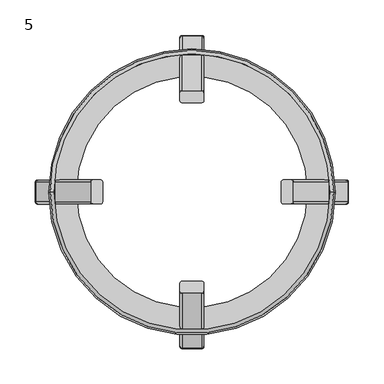
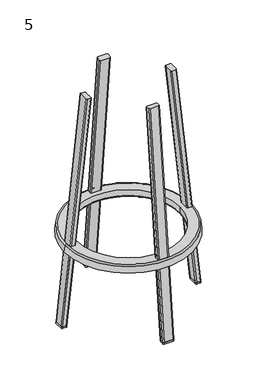
"""IFC4 building model written with IfcOpenShell, lengths in millimetres: furniture geometry, 5."""

from ifc_helpers import new_model, si_unit, point, frame, origin, place, context, project, spatial, polyline, circle_curve, ellipse_curve, trimmed, source, transform, mapped, element, save
from ifc_brep_helpers import plane_surface, cylinder_surface, revolved_surface, advanced_brep


def furniture_5_73dcc5fb(model_context):
    return source(origin(), model_context, "Body", "AdvancedBrep", [
        advanced_brep(
        [(17.0, -206.3178808, 5.0), (14.0, -203.301356, 5.0), (-14.0, -203.301356, 5.0), (-17.0, -206.3178808, 5.0), (-17.0, -217.3784719, 5.0), (-14.0, -220.3949967, 5.0), (14.0, -220.3949967, 5.0), (17.0, -217.3784719, 5.0), (-17.0, -217.9039931, 0.0), (-14.0, -220.9205179, 0.0), (-17.0, -206.843402, 0.0), (-14.0, -203.8268771, 0.0), (14.0, -203.8268771, 0.0), (17.0, -206.843402, 0.0), (17.0, -217.9039931, 0.0), (14.0, -220.9205179, 0.0)],
        [
            (0, 1, ellipse_curve(frame((14.0, -206.3178808, 5.0), z_axis=(0.0, 0.0, 1.0), x_axis=(0.0, -1.0, 0.0)), 3.0165248, 3.0)),
            (1, 2),
            (2, 3, ellipse_curve(frame((-14.1882885, -206.1285552, 5.0), z_axis=(0.0, 0.0, 1.0), x_axis=(0.0, -1.0, 0.0)), 2.8335313, 2.8180089)),
            (3, 4),
            (4, 5, ellipse_curve(frame((-14.0, -217.3784719, 5.0), z_axis=(0.0, 0.0, 1.0), x_axis=(0.0, -1.0, 0.0)), 3.0165248, 3.0)),
            (5, 6),
            (6, 7, ellipse_curve(frame((14.0, -217.3784719, 5.0), z_axis=(0.0, 0.0, 1.0), x_axis=(0.0, -1.0, 0.0)), 3.0165248, 3.0)),
            (7, 0),
            (4, 8),
            (8, 9, ellipse_curve(frame((-14.0, -217.9039931, 0.0), z_axis=(0.0, 0.0, 1.0), x_axis=(0.0, -1.0, 0.0)), 3.0165248, 3.0)),
            (9, 5),
            (3, 10),
            (10, 8),
            (2, 11),
            (11, 10, ellipse_curve(frame((-14.1882885, -206.6540763, 0.0), z_axis=(0.0, 0.0, 1.0), x_axis=(0.0, -1.0, 0.0)), 2.8335313, 2.8180089)),
            (1, 12),
            (12, 11),
            (12, 13, ellipse_curve(frame((14.0, -206.843402, 0.0), z_axis=(0.0, 0.0, -1.0), x_axis=(0.0, -1.0, 0.0)), 3.0165248, 3.0)),
            (13, 14),
            (14, 15, ellipse_curve(frame((14.0, -217.9039931, 0.0), z_axis=(0.0, 0.0, -1.0), x_axis=(0.0, -1.0, 0.0)), 3.0165248, 3.0)),
            (15, 9),
            (0, 13),
            (7, 14),
            (6, 15),
        ],
        [
            plane_surface(frame((-237.3802631, -240.5411086, 5.0), z_axis=(0.0, 0.0, 1.0), x_axis=(0.0, 1.0, 0.0))),
            cylinder_surface(frame((-14.0, -217.9369522, -0.3135854), z_axis=(0.0, -0.10452846326766246, -0.9945218953682724), x_axis=(0.0, -0.9945218953682725, 0.10452846326766249)), 3.0),
            plane_surface(frame((-17.0, -217.9369522, -0.3135854), z_axis=(-1.0, 0.0, 0.0), x_axis=(0.0, 0.9945218953682724, -0.10452846326766255))),
            cylinder_surface(frame((-14.1882885, -206.8099543, -1.48308), z_axis=(0.0, -0.10452846326766246, -0.9945218953682724), x_axis=(-0.9977653042872745, -0.06645012160662113, 0.006984189214775724)), 2.8180089),
            plane_surface(frame((-14.0, -204.0136457, -1.7769839), z_axis=(0.0, 0.9945218953682724, -0.10452846326766246), x_axis=(1.0, 0.0, 0.0))),
            plane_surface(frame((18.6818902, -196.7185949, 0.0), z_axis=(0.0, 0.0, -1.0), x_axis=(0.0, -1.0, 0.0))),
            cylinder_surface(frame((14.0, -206.9972114, -1.4633985), z_axis=(0.0, -0.10452846326766246, -0.9945218953682724), x_axis=(0.0, 0.9945218953682724, -0.10452846326766246)), 3.0),
            plane_surface(frame((17.0, -206.9972114, -1.4633985), z_axis=(1.0, 0.0, 0.0), x_axis=(0.0, -0.9945218953682724, 0.10452846326766246))),
            cylinder_surface(frame((14.0, -217.9369522, -0.3135854), z_axis=(0.0, -0.10452846326766246, -0.9945218953682724), x_axis=(1.0, 0.0, 0.0)), 3.0),
            plane_surface(frame((14.0, -220.9205179, 0.0), z_axis=(0.0, -0.9945218953682724, 0.10452846326766246), x_axis=(-1.0, 0.0, 0.0))),
        ],
        [
            (0, [[1, 2, 3, 4, 5, 6, 7, 8]]),
            (1, [[-5, 9, 10, 11]]),
            (2, [[-4, 12, 13, -9]]),
            (3, [[-3, 14, 15, -12]]),
            (4, [[-2, 16, 17, -14]]),
            (5, [[-10, -13, -15, -17, 18, 19, 20, 21]]),
            (6, [[-1, 22, -18, -16]]),
            (7, [[-8, 23, -19, -22]]),
            (8, [[-7, 24, -20, -23]]),
            (9, [[-6, -11, -21, -24]]),
        ],
    ),
        advanced_brep(
        [(-17.0, 217.9039931, 0.0), (-14.0, 220.9205179, 0.0), (14.0, 220.9205179, 0.0), (17.0, 217.9039931, 0.0), (17.0, 206.843402, 0.0), (14.0, 203.8268771, 0.0), (-14.0, 203.8268771, 0.0), (-17.0, 206.843402, 0.0), (-14.0, 203.301356, 5.0), (-17.0, 206.3178808, 5.0), (14.0, 203.301356, 5.0), (17.0, 206.3178808, 5.0), (17.0, 217.3784719, 5.0), (14.0, 220.3949967, 5.0), (-14.0, 220.3949967, 5.0), (-17.0, 217.3784719, 5.0)],
        [
            (0, 1, ellipse_curve(frame((-14.0, 217.9039931, 0.0), z_axis=(0.0, 0.0, -1.0), x_axis=(0.0, -1.0, 0.0)), 3.0165248, 3.0)),
            (1, 2),
            (2, 3, ellipse_curve(frame((14.0, 217.9039931, 0.0), z_axis=(0.0, 0.0, -1.0), x_axis=(0.0, -1.0, 0.0)), 3.0165248, 3.0)),
            (3, 4),
            (4, 5, ellipse_curve(frame((14.0, 206.843402, 0.0), z_axis=(0.0, 0.0, -1.0), x_axis=(0.0, -1.0, 0.0)), 3.0165248, 3.0)),
            (5, 6),
            (6, 7, ellipse_curve(frame((-14.1882885, 206.6540763, 0.0), z_axis=(0.0, 0.0, -1.0), x_axis=(0.0, -1.0, 0.0)), 2.8335313, 2.8180089)),
            (7, 0),
            (8, 9, ellipse_curve(frame((-14.1882885, 206.1285552, 5.0), z_axis=(0.0, 0.0, -1.0), x_axis=(0.0, -1.0, 0.0)), 2.8335313, 2.8180089)),
            (9, 7),
            (6, 8),
            (10, 8),
            (5, 10),
            (11, 10, ellipse_curve(frame((14.0, 206.3178808, 5.0), z_axis=(0.0, 0.0, -1.0), x_axis=(0.0, -1.0, 0.0)), 3.0165248, 3.0)),
            (4, 11),
            (12, 11),
            (3, 12),
            (13, 12, ellipse_curve(frame((14.0, 217.3784719, 5.0), z_axis=(0.0, 0.0, -1.0), x_axis=(0.0, -1.0, 0.0)), 3.0165248, 3.0)),
            (2, 13),
            (14, 13),
            (1, 14),
            (15, 14, ellipse_curve(frame((-14.0, 217.3784719, 5.0), z_axis=(0.0, 0.0, -1.0), x_axis=(0.0, -1.0, 0.0)), 3.0165248, 3.0)),
            (0, 15),
            (9, 15),
        ],
        [
            plane_surface(frame((18.6818902, 196.7185949, 0.0), z_axis=(0.0, 0.0, -1.0), x_axis=(0.0, 1.0, 0.0))),
            cylinder_surface(frame((-14.1882885, 206.8099543, -1.48308), z_axis=(0.0, -0.10452846326766246, 0.9945218953682724), x_axis=(-0.9977653042872745, 0.06645012160662113, 0.006984189214775724)), 2.8180089),
            plane_surface(frame((-14.0, 204.0136457, -1.7769839), z_axis=(0.0, -0.9945218953682724, -0.10452846326766246), x_axis=(1.0, 0.0, 0.0))),
            cylinder_surface(frame((14.0, 206.9972114, -1.4633985), z_axis=(0.0, -0.10452846326766246, 0.9945218953682724), x_axis=(0.0, -0.9945218953682724, -0.10452846326766246)), 3.0),
            plane_surface(frame((17.0, 206.9972114, -1.4633985), z_axis=(1.0, 0.0, 0.0), x_axis=(0.0, 0.9945218953682724, 0.10452846326766246))),
            cylinder_surface(frame((14.0, 217.9369522, -0.3135854), z_axis=(0.0, -0.10452846326766246, 0.9945218953682724), x_axis=(1.0, 0.0, 0.0)), 3.0),
            plane_surface(frame((14.0, 220.9205179, 0.0), z_axis=(0.0, 0.9945218953682724, 0.10452846326766246), x_axis=(-1.0, 0.0, 0.0))),
            cylinder_surface(frame((-14.0, 217.9369522, -0.3135854), z_axis=(0.0, -0.10452846326766246, 0.9945218953682724), x_axis=(0.0, 0.9945218953682725, 0.10452846326766249)), 3.0),
            plane_surface(frame((-17.0, 217.9369522, -0.3135854), z_axis=(-1.0, 0.0, 0.0), x_axis=(0.0, -0.9945218953682724, -0.10452846326766255))),
            plane_surface(frame((-237.3802631, -240.5411086, 5.0), z_axis=(0.0, 0.0, 1.0), x_axis=(0.0, 1.0, 0.0))),
        ],
        [
            (0, [[1, 2, 3, 4, 5, 6, 7, 8]]),
            (1, [[9, 10, -7, 11]]),
            (2, [[12, -11, -6, 13]]),
            (3, [[14, -13, -5, 15]]),
            (4, [[16, -15, -4, 17]]),
            (5, [[18, -17, -3, 19]]),
            (6, [[20, -19, -2, 21]]),
            (7, [[22, -21, -1, 23]]),
            (8, [[24, -23, -8, -10]]),
            (9, [[-16, -18, -20, -22, -24, -9, -12, -14]]),
        ],
    ),
        advanced_brep(
        [(220.3949967, 14.0, 5.0), (217.3784719, 17.0, 5.0), (206.3178808, 17.0, 5.0), (203.301356, 14.0, 5.0), (203.301356, -14.0, 5.0), (206.3178808, -17.0, 5.0), (217.3784719, -17.0, 5.0), (220.3949967, -14.0, 5.0), (203.8268771, -14.0, 0.0), (206.843402, -17.0, 0.0), (203.8268771, 14.0, 0.0), (206.843402, 17.0, 0.0), (217.9039931, 17.0, 0.0), (220.9205179, 14.0, 0.0), (220.9205179, -14.0, 0.0), (217.9039931, -17.0, 0.0)],
        [
            (0, 1, ellipse_curve(frame((217.3784719, 14.0, 5.0), z_axis=(0.0, 0.0, 1.0), x_axis=(-1.0, 0.0, 0.0)), 3.0165248, 3.0)),
            (1, 2),
            (2, 3, ellipse_curve(frame((206.1285552, 14.1882885, 5.0), z_axis=(0.0, 0.0, 1.0), x_axis=(-1.0, 0.0, 0.0)), 2.8335313, 2.8180089)),
            (3, 4),
            (4, 5, ellipse_curve(frame((206.3178808, -14.0, 5.0), z_axis=(0.0, 0.0, 1.0), x_axis=(-1.0, 0.0, 0.0)), 3.0165248, 3.0)),
            (5, 6),
            (6, 7, ellipse_curve(frame((217.3784719, -14.0, 5.0), z_axis=(0.0, 0.0, 1.0), x_axis=(-1.0, 0.0, 0.0)), 3.0165248, 3.0)),
            (7, 0),
            (4, 8),
            (8, 9, ellipse_curve(frame((206.843402, -14.0, 0.0), z_axis=(0.0, 0.0, 1.0), x_axis=(-1.0, 0.0, 0.0)), 3.0165248, 3.0)),
            (9, 5),
            (3, 10),
            (10, 8),
            (2, 11),
            (11, 10, ellipse_curve(frame((206.6540763, 14.1882885, 0.0), z_axis=(0.0, 0.0, 1.0), x_axis=(-1.0, 0.0, 0.0)), 2.8335313, 2.8180089)),
            (1, 12),
            (12, 11),
            (12, 13, ellipse_curve(frame((217.9039931, 14.0, 0.0), z_axis=(0.0, 0.0, -1.0), x_axis=(-1.0, 0.0, 0.0)), 3.0165248, 3.0)),
            (13, 14),
            (14, 15, ellipse_curve(frame((217.9039931, -14.0, 0.0), z_axis=(0.0, 0.0, -1.0), x_axis=(-1.0, 0.0, 0.0)), 3.0165248, 3.0)),
            (15, 9),
            (0, 13),
            (7, 14),
            (6, 15),
        ],
        [
            plane_surface(frame((-237.3802631, -240.5411086, 5.0), z_axis=(0.0, 0.0, 1.0), x_axis=(0.0, 1.0, 0.0))),
            cylinder_surface(frame((206.9972114, -14.0, -1.4633985), z_axis=(-0.10452846326766246, 0.0, 0.9945218953682724), x_axis=(-0.9945218953682724, 0.0, -0.10452846326766246)), 3.0),
            plane_surface(frame((204.0136457, 14.0, -1.7769839), z_axis=(-0.9945218953682724, 0.0, -0.10452846326766246), x_axis=(0.0, -1.0, 0.0))),
            cylinder_surface(frame((206.8099543, 14.1882885, -1.48308), z_axis=(-0.10452846326766246, 0.0, 0.9945218953682724), x_axis=(0.06645012160662157, 0.9977653042872745, 0.006984189214775724)), 2.8180089),
            plane_surface(frame((217.9369522, 17.0, -0.3135854), z_axis=(0.0, 1.0, 0.0), x_axis=(-0.9945218953682724, 0.0, -0.10452846326766255))),
            plane_surface(frame((196.7185949, -18.6818902, 0.0), z_axis=(0.0, 0.0, -1.0), x_axis=(1.0, 0.0, 0.0))),
            cylinder_surface(frame((217.9369522, 14.0, -0.3135854), z_axis=(-0.10452846326766246, 0.0, 0.9945218953682724), x_axis=(0.9945218953682725, 0.0, 0.10452846326766249)), 3.0),
            plane_surface(frame((220.9205179, -14.0, 0.0), z_axis=(0.9945218953682724, 0.0, 0.10452846326766246), x_axis=(0.0, 1.0, 0.0))),
            cylinder_surface(frame((217.9369522, -14.0, -0.3135854), z_axis=(-0.10452846326766246, 0.0, 0.9945218953682724), x_axis=(0.0, -1.0, 0.0)), 3.0),
            plane_surface(frame((206.9972114, -17.0, -1.4633985), z_axis=(0.0, -1.0, 0.0), x_axis=(0.9945218953682724, 0.0, 0.10452846326766246))),
        ],
        [
            (0, [[1, 2, 3, 4, 5, 6, 7, 8]]),
            (1, [[-5, 9, 10, 11]]),
            (2, [[-4, 12, 13, -9]]),
            (3, [[-3, 14, 15, -12]]),
            (4, [[-2, 16, 17, -14]]),
            (5, [[18, 19, 20, 21, -10, -13, -15, -17]]),
            (6, [[-1, 22, -18, -16]]),
            (7, [[-8, 23, -19, -22]]),
            (8, [[-7, 24, -20, -23]]),
            (9, [[-6, -11, -21, -24]]),
        ],
    ),
        advanced_brep(
        [(-220.3949967, -14.0, 5.0), (-220.3949967, 14.0, 5.0), (-220.9205179, 14.0, 0.0), (-220.9205179, -14.0, 0.0), (-217.3784719, -17.0, 5.0), (-217.9039931, -17.0, 0.0), (-206.3178808, -17.0, 5.0), (-206.843402, -17.0, 0.0), (-203.301356, -14.0, 5.0), (-203.8268771, -14.0, 0.0), (-217.9039931, 17.0, 0.0), (-206.843402, 17.0, 0.0), (-203.8268771, 14.0, 0.0), (-203.301356, 14.0, 5.0), (-206.3178808, 17.0, 5.0), (-217.3784719, 17.0, 5.0)],
        [
            (0, 1),
            (1, 2),
            (2, 3),
            (3, 0),
            (4, 0, ellipse_curve(frame((-217.3784719, -14.0, 5.0), z_axis=(0.0, 0.0, -1.0), x_axis=(-1.0, 0.0, 0.0)), 3.0165248, 3.0)),
            (3, 5, ellipse_curve(frame((-217.9039931, -14.0, 0.0), z_axis=(0.0, 0.0, 1.0), x_axis=(-1.0, 0.0, 0.0)), 3.0165248, 3.0)),
            (5, 4),
            (6, 4),
            (5, 7),
            (7, 6),
            (8, 6, ellipse_curve(frame((-206.3178808, -14.0, 5.0), z_axis=(0.0, 0.0, -1.0), x_axis=(-1.0, 0.0, 0.0)), 3.0165248, 3.0)),
            (7, 9, ellipse_curve(frame((-206.843402, -14.0, 0.0), z_axis=(0.0, 0.0, 1.0), x_axis=(-1.0, 0.0, 0.0)), 3.0165248, 3.0)),
            (9, 8),
            (2, 10, ellipse_curve(frame((-217.9039931, 14.0, 0.0), z_axis=(0.0, 0.0, -1.0), x_axis=(-1.0, 0.0, 0.0)), 3.0165248, 3.0)),
            (10, 11),
            (11, 12, ellipse_curve(frame((-206.6540763, 14.1882885, 0.0), z_axis=(0.0, 0.0, -1.0), x_axis=(-1.0, 0.0, 0.0)), 2.8335313, 2.8180089)),
            (12, 9),
            (13, 8),
            (12, 13),
            (14, 13, ellipse_curve(frame((-206.1285552, 14.1882885, 5.0), z_axis=(0.0, 0.0, -1.0), x_axis=(-1.0, 0.0, 0.0)), 2.8335313, 2.8180089)),
            (11, 14),
            (15, 14),
            (10, 15),
            (1, 15, ellipse_curve(frame((-217.3784719, 14.0, 5.0), z_axis=(0.0, 0.0, -1.0), x_axis=(-1.0, 0.0, 0.0)), 3.0165248, 3.0)),
        ],
        [
            plane_surface(frame((-220.9205179, -14.0, 0.0), z_axis=(-0.9945218953682724, 0.0, 0.10452846326766246), x_axis=(0.0, 1.0, 0.0))),
            cylinder_surface(frame((-217.9369522, -14.0, -0.3135854), z_axis=(-0.10452846326766246, 0.0, -0.9945218953682724), x_axis=(0.0, -1.0, 0.0)), 3.0),
            plane_surface(frame((-206.9972114, -17.0, -1.4633985), z_axis=(0.0, -1.0, 0.0), x_axis=(-0.9945218953682724, 0.0, 0.10452846326766246))),
            cylinder_surface(frame((-206.9972114, -14.0, -1.4633985), z_axis=(-0.10452846326766246, 0.0, -0.9945218953682724), x_axis=(0.9945218953682724, 0.0, -0.10452846326766246)), 3.0),
            plane_surface(frame((-196.7185949, -18.6818902, 0.0), z_axis=(0.0, 0.0, -1.0), x_axis=(-1.0, 0.0, 0.0))),
            plane_surface(frame((-204.0136457, 14.0, -1.7769839), z_axis=(0.9945218953682724, 0.0, -0.10452846326766246), x_axis=(0.0, -1.0, 0.0))),
            cylinder_surface(frame((-206.8099543, 14.1882885, -1.48308), z_axis=(-0.10452846326766246, 0.0, -0.9945218953682724), x_axis=(-0.06645012160662069, 0.9977653042872746, 0.006984189214775725)), 2.8180089),
            plane_surface(frame((-217.9369522, 17.0, -0.3135854), z_axis=(0.0, 1.0, 0.0), x_axis=(0.9945218953682724, 0.0, -0.10452846326766255))),
            cylinder_surface(frame((-217.9369522, 14.0, -0.3135854), z_axis=(-0.10452846326766246, 0.0, -0.9945218953682724), x_axis=(-0.9945218953682725, 0.0, 0.10452846326766249)), 3.0),
            plane_surface(frame((-237.3802631, -240.5411086, 5.0), z_axis=(0.0, 0.0, 1.0), x_axis=(0.0, 1.0, 0.0))),
        ],
        [
            (0, [[1, 2, 3, 4]]),
            (1, [[5, -4, 6, 7]]),
            (2, [[8, -7, 9, 10]]),
            (3, [[11, -10, 12, 13]]),
            (4, [[14, 15, 16, 17, -12, -9, -6, -3]]),
            (5, [[18, -13, -17, 19]]),
            (6, [[20, -19, -16, 21]]),
            (7, [[22, -21, -15, 23]]),
            (8, [[24, -23, -14, -2]]),
            (9, [[-11, -18, -20, -22, -24, -1, -5, -8]]),
        ],
    ),
        advanced_brep(
        [(202.077074, 0.0, 239.5), (199.9726095, 0.0, 259.5226423), (-199.9726095, 0.0, 259.5226423), (-202.077074, 0.0, 239.5), (163.0007615, 0.0, 244.412738), (168.0, 0.0, 239.5), (-168.0, 0.0, 239.5), (-163.0007615, 0.0, 244.412738), (162.7461399, 0.0, 264.0), (-162.7461399, 0.0, 264.0), (195.0, 0.0, 264.0), (-195.0, 0.0, 264.0)],
        [
            (0, 1),
            (1, 2, circle_curve(frame((0.0, 0.0, 259.5226423), z_axis=(0.0, 0.0, -1.0), x_axis=(1.0, 0.0, 0.0)), 199.9726095)),
            (2, 3),
            (3, 0, circle_curve(frame((0.0, 0.0, 239.5), z_axis=(0.0, 0.0, 1.0), x_axis=(1.0, 0.0, 0.0)), 202.077074)),
            (4, 5, circle_curve(frame((167.977827, 0.0, 244.4774366), z_axis=(0.0, -1.0, 0.0), x_axis=(1.0, 0.0, 0.0)), 4.977486)),
            (5, 6, circle_curve(frame((0.0, 0.0, 239.5), z_axis=(0.0, 0.0, -1.0), x_axis=(1.0, 0.0, 0.0)), 168.0)),
            (6, 7, circle_curve(frame((-167.977827, 0.0, 244.4774366), z_axis=(0.0, -1.0, 0.0), x_axis=(-1.0, 0.0, 0.0)), 4.977486)),
            (7, 4, circle_curve(frame((0.0, 0.0, 244.412738), z_axis=(0.0, 0.0, 1.0), x_axis=(1.0, 0.0, 0.0)), 163.0007615)),
            (4, 8),
            (8, 9, circle_curve(frame((0.0, 0.0, 264.0), z_axis=(0.0, 0.0, 1.0), x_axis=(1.0, 0.0, 0.0)), 162.7461399)),
            (9, 7),
            (7, 4, circle_curve(frame((0.0, 0.0, 244.412738), z_axis=(0.0, 0.0, -1.0), x_axis=(1.0, 0.0, 0.0)), 163.0007615)),
            (1, 10, circle_curve(frame((195.0, 0.0, 259.0), z_axis=(0.0, -0.9999999999999999, 0.0), x_axis=(0.9999999999999999, 0.0, 0.0)), 5.0)),
            (10, 11, circle_curve(frame((0.0, 0.0, 264.0), z_axis=(0.0, 0.0, -1.0), x_axis=(0.9999999999999999, 0.0, 0.0)), 195.0)),
            (11, 2, circle_curve(frame((-195.0, 0.0, 259.0), z_axis=(0.0, -0.9999999999999999, 0.0), x_axis=(-0.9999999999999999, 0.0, 0.0)), 5.0)),
            (1, 2, circle_curve(frame((0.0, 0.0, 259.5226423), z_axis=(0.0, 0.0, 1.0), x_axis=(0.9999999999999999, 0.0, 0.0)), 199.9726095)),
            (11, 10, circle_curve(frame((0.0, 0.0, 264.0), z_axis=(0.0, 0.0, -1.0), x_axis=(0.9999999999999999, 0.0, 0.0)), 195.0)),
            (8, 9, circle_curve(frame((0.0, 0.0, 264.0), z_axis=(0.0, 0.0, -1.0), x_axis=(1.0, 0.0, 0.0)), 162.7461399)),
            (6, 5, circle_curve(frame((0.0, 0.0, 239.5), z_axis=(0.0, 0.0, -1.0), x_axis=(1.0, 0.0, 0.0)), 168.0)),
            (3, 0, circle_curve(frame((0.0, 0.0, 239.5), z_axis=(0.0, 0.0, -1.0), x_axis=(1.0, 0.0, 0.0)), 202.077074)),
        ],
        [
            revolved_surface(polyline([(199.9726094928645, 0.0, 259.5226422999999), (202.077074, 0.0, 239.5)]), (0.0, 0.0, 2162.1349297), (0.0, 0.0, -1.0)),
            revolved_surface(trimmed(ellipse_curve(frame((167.977827, 0.0, 244.4774366), z_axis=(0.0, -1.0, 0.0), x_axis=(1.0, 0.0, 0.0)), 4.977486, 4.977486), [point((163.0007615, 0.0, 244.412738))], [point((168.0, 0.0, 239.5))], True, "CARTESIAN"), (0.0, 0.0, 244.4774366), (0.0, 0.0, 1.0)),
            revolved_surface(polyline([(163.0007615, 0.0, 244.41273799999908), (162.7461398945695, 0.0, 264.0)]), (0.0, 0.0, 12783.5632013), (0.0, 0.0, -1.0)),
            revolved_surface(trimmed(ellipse_curve(frame((195.0, 0.0, 259.0), z_axis=(0.0, -0.9999999999999999, 0.0), x_axis=(0.9999999999999999, 0.0, 0.0)), 5.0, 5.0), [point((199.9726095, 0.0, 259.5226423))], [point((195.0, 0.0, 264.0))], True, "CARTESIAN"), (0.0, 0.0, 259.0), (0.0, 0.0, 1.0)),
            plane_surface(frame((162.7461399, 0.0, 264.0), z_axis=(0.0, 0.0, 1.0), x_axis=(1.0, 0.0, 0.0))),
            plane_surface(frame((202.077074, 0.0, 239.5), z_axis=(0.0, 0.0, -1.0), x_axis=(-1.0, 0.0, 0.0))),
        ],
        [
            (0, [[1, 2, 3, 4]]),
            (1, [[5, 6, 7, 8]]),
            (2, [[9, 10, 11, 12]]),
            (3, [[13, 14, 15, -2]]),
            (3, [[-13, 16, -15, 17]]),
            (4, [[-17, -14], [-10, 18]]),
            (2, [[-9, -8, -11, -18]]),
            (1, [[-5, -12, -7, 19]]),
            (5, [[20, -4], [-19, -6]]),
            (0, [[-1, -20, -3, -16]]),
        ],
    ),
        advanced_brep(
        [(-17.0, 190.1564749, 264.0), (-14.0, 193.1729998, 264.0), (14.0, 193.1729998, 264.0), (17.0, 190.1564749, 264.0), (17.0, 179.0958839, 264.0), (14.0, 176.079359, 264.0), (-14.0, 176.079359, 264.0), (-17.0, 179.0958839, 264.0), (17.0, 140.1339623, 739.9324165), (17.0, 129.1942214, 738.7826034), (14.0, 126.2106557, 738.469018), (14.0, 143.117528, 740.2460019), (-14.0, 143.117528, 740.2460019), (-17.0, 140.1339623, 739.9324165), (-14.0, 126.2106557, 738.469018), (-17.0, 129.1942214, 738.7826034)],
        [
            (0, 1, ellipse_curve(frame((-14.0, 190.1564749, 264.0), z_axis=(0.0, 0.0, -1.0), x_axis=(0.0, -1.0, 0.0)), 3.0165248, 3.0)),
            (1, 2),
            (2, 3, ellipse_curve(frame((14.0, 190.1564749, 264.0), z_axis=(0.0, 0.0, -1.0), x_axis=(0.0, -1.0, 0.0)), 3.0165248, 3.0)),
            (3, 4),
            (4, 5, ellipse_curve(frame((14.0, 179.0958839, 264.0), z_axis=(0.0, 0.0, -1.0), x_axis=(0.0, -1.0, 0.0)), 3.0165248, 3.0)),
            (5, 6),
            (6, 7, ellipse_curve(frame((-14.1882885, 178.9065582, 264.0), z_axis=(0.0, 0.0, -1.0), x_axis=(0.0, -1.0, 0.0)), 2.8335313, 2.8180089)),
            (7, 0),
            (3, 8),
            (8, 9),
            (9, 4),
            (9, 10, circle_curve(frame((14.0, 129.1942214, 738.7826034), z_axis=(0.0, 0.10452846326766246, -0.9945218953682724), x_axis=(0.0, -0.9945218953682724, -0.10452846326766246)), 3.0)),
            (10, 5),
            (2, 11),
            (11, 8, circle_curve(frame((14.0, 140.1339623, 739.9324165), z_axis=(0.0, 0.10452846326766246, -0.9945218953682724), x_axis=(1.0, 0.0, 0.0)), 3.0)),
            (1, 12),
            (12, 11),
            (0, 13),
            (13, 12, circle_curve(frame((-14.0, 140.1339623, 739.9324165), z_axis=(0.0, 0.10452846326766246, -0.9945218953682724), x_axis=(0.0, 0.9945218953682725, 0.10452846326766249)), 3.0)),
            (10, 14),
            (14, 6),
            (14, 15, circle_curve(frame((-14.1882885, 129.0069644, 738.7629219), z_axis=(0.0, 0.10452846326766246, -0.9945218953682724), x_axis=(-0.9977653042872745, 0.06645012160662113, 0.006984189214775724)), 2.8180089)),
            (15, 7),
            (15, 13),
        ],
        [
            plane_surface(frame((162.7461399, 0.0, 264.0), z_axis=(0.0, 0.0, -1.0), x_axis=(1.0, 0.0, 0.0))),
            plane_surface(frame((17.0, 206.9972114, -1.4633985), z_axis=(1.0, 0.0, 0.0), x_axis=(0.0, 0.9945218953682724, 0.10452846326766246))),
            cylinder_surface(frame((14.0, 206.9972114, -1.4633985), z_axis=(0.0, -0.10452846326766246, 0.9945218953682724), x_axis=(0.0, -0.9945218953682724, -0.10452846326766246)), 3.0),
            cylinder_surface(frame((14.0, 217.9369522, -0.3135854), z_axis=(0.0, -0.10452846326766246, 0.9945218953682724), x_axis=(1.0, 0.0, 0.0)), 3.0),
            plane_surface(frame((14.0, 220.9205179, 0.0), z_axis=(0.0, 0.9945218953682724, 0.10452846326766246), x_axis=(-1.0, 0.0, 0.0))),
            cylinder_surface(frame((-14.0, 217.9369522, -0.3135854), z_axis=(0.0, -0.10452846326766246, 0.9945218953682724), x_axis=(0.0, 0.9945218953682725, 0.10452846326766249)), 3.0),
            plane_surface(frame((-14.0, 204.0136457, -1.7769839), z_axis=(0.0, -0.9945218953682724, -0.10452846326766246), x_axis=(1.0, 0.0, 0.0))),
            cylinder_surface(frame((-14.1882885, 206.8099543, -1.48308), z_axis=(0.0, -0.10452846326766246, 0.9945218953682724), x_axis=(-0.9977653042872745, 0.06645012160662113, 0.006984189214775724)), 2.8180089),
            plane_surface(frame((-17.0, 217.9369522, -0.3135854), z_axis=(-1.0, 0.0, 0.0), x_axis=(0.0, -0.9945218953682724, -0.10452846326766255))),
            plane_surface(frame((-0.0132768, 134.657144, 739.3567797), z_axis=(0.0, -0.1045284632676626, 0.9945218953682724), x_axis=(1.0, 0.0, 0.0))),
        ],
        [
            (0, [[1, 2, 3, 4, 5, 6, 7, 8]]),
            (1, [[-4, 9, 10, 11]]),
            (2, [[-5, -11, 12, 13]]),
            (3, [[-3, 14, 15, -9]]),
            (4, [[-2, 16, 17, -14]]),
            (5, [[-1, 18, 19, -16]]),
            (6, [[-6, -13, 20, 21]]),
            (7, [[-7, -21, 22, 23]]),
            (8, [[-8, -23, 24, -18]]),
            (9, [[-24, -22, -20, -12, -10, -15, -17, -19]]),
        ],
    ),
        advanced_brep(
        [(14.0, -203.301356, 5.0), (17.0, -206.3178808, 5.0), (17.0, -217.3784719, 5.0), (14.0, -220.3949967, 5.0), (-14.0, -220.3949967, 5.0), (-17.0, -217.3784719, 5.0), (-17.0, -206.3178808, 5.0), (-14.0, -203.301356, 5.0), (-14.0, -195.7480535, 239.5), (-17.0, -192.7315287, 239.5), (14.0, -195.7480535, 239.5), (17.0, -192.7315287, 239.5), (17.0, -181.6709376, 239.5), (14.0, -178.6544128, 239.5), (-14.0, -178.6544128, 239.5), (-17.0, -181.6709376, 239.5)],
        [
            (0, 1, ellipse_curve(frame((14.0, -206.3178808, 5.0), z_axis=(0.0, 0.0, -1.0), x_axis=(0.0, -1.0, 0.0)), 3.0165248, 3.0)),
            (1, 2),
            (2, 3, ellipse_curve(frame((14.0, -217.3784719, 5.0), z_axis=(0.0, 0.0, -1.0), x_axis=(0.0, -1.0, 0.0)), 3.0165248, 3.0)),
            (3, 4),
            (4, 5, ellipse_curve(frame((-14.0, -217.3784719, 5.0), z_axis=(0.0, 0.0, -1.0), x_axis=(0.0, -1.0, 0.0)), 3.0165248, 3.0)),
            (5, 6),
            (6, 7, ellipse_curve(frame((-14.1882885, -206.1285552, 5.0), z_axis=(0.0, 0.0, -1.0), x_axis=(0.0, -1.0, 0.0)), 2.8335313, 2.8180089)),
            (7, 0),
            (4, 8),
            (8, 9, ellipse_curve(frame((-14.0, -192.7315287, 239.5), z_axis=(0.0, 0.0, -1.0), x_axis=(0.0, -1.0, 0.0)), 3.0165248, 3.0)),
            (9, 5),
            (3, 10),
            (10, 8),
            (2, 11),
            (11, 10, ellipse_curve(frame((14.0, -192.7315287, 239.5), z_axis=(0.0, 0.0, -1.0), x_axis=(0.0, -1.0, 0.0)), 3.0165248, 3.0)),
            (1, 12),
            (12, 11),
            (0, 13),
            (13, 12, ellipse_curve(frame((14.0, -181.6709376, 239.5), z_axis=(0.0, 0.0, -1.0), x_axis=(0.0, -1.0, 0.0)), 3.0165248, 3.0)),
            (7, 14),
            (14, 13),
            (6, 15),
            (15, 14, ellipse_curve(frame((-14.1882885, -181.481612, 239.5), z_axis=(0.0, 0.0, -1.0), x_axis=(0.0, -1.0, 0.0)), 2.8335313, 2.8180089)),
            (9, 15),
        ],
        [
            plane_surface(frame((-237.3802631, 229.2159967, 5.0), z_axis=(0.0, 0.0, -1.0), x_axis=(0.0, -1.0, 0.0))),
            cylinder_surface(frame((-14.0, -217.9369522, -0.3135854), z_axis=(0.0, -0.10452846326766246, -0.9945218953682724), x_axis=(0.0, -0.9945218953682725, 0.10452846326766249)), 3.0),
            plane_surface(frame((14.0, -220.9205179, 0.0), z_axis=(0.0, -0.9945218953682724, 0.10452846326766246), x_axis=(-1.0, 0.0, 0.0))),
            cylinder_surface(frame((14.0, -217.9369522, -0.3135854), z_axis=(0.0, -0.10452846326766246, -0.9945218953682724), x_axis=(1.0, 0.0, 0.0)), 3.0),
            plane_surface(frame((17.0, -206.9972114, -1.4633985), z_axis=(1.0, 0.0, 0.0), x_axis=(0.0, -0.9945218953682724, 0.10452846326766246))),
            cylinder_surface(frame((14.0, -206.9972114, -1.4633985), z_axis=(0.0, -0.10452846326766246, -0.9945218953682724), x_axis=(0.0, 0.9945218953682724, -0.10452846326766246)), 3.0),
            plane_surface(frame((-14.0, -204.0136457, -1.7769839), z_axis=(0.0, 0.9945218953682724, -0.10452846326766246), x_axis=(1.0, 0.0, 0.0))),
            cylinder_surface(frame((-14.1882885, -206.8099543, -1.48308), z_axis=(0.0, -0.10452846326766246, -0.9945218953682724), x_axis=(-0.9977653042872745, -0.06645012160662113, 0.006984189214775724)), 2.8180089),
            plane_surface(frame((-17.0, -217.9369522, -0.3135854), z_axis=(-1.0, 0.0, 0.0), x_axis=(0.0, 0.9945218953682724, -0.10452846326766255))),
            plane_surface(frame((202.077074, 0.0, 239.5), z_axis=(0.0, 0.0, 1.0), x_axis=(-1.0, 0.0, 0.0))),
        ],
        [
            (0, [[1, 2, 3, 4, 5, 6, 7, 8]]),
            (1, [[-5, 9, 10, 11]]),
            (2, [[-4, 12, 13, -9]]),
            (3, [[-3, 14, 15, -12]]),
            (4, [[-2, 16, 17, -14]]),
            (5, [[-1, 18, 19, -16]]),
            (6, [[-8, 20, 21, -18]]),
            (7, [[-7, 22, 23, -20]]),
            (8, [[-6, -11, 24, -22]]),
            (9, [[-19, -21, -23, -24, -10, -13, -15, -17]]),
        ],
    ),
        advanced_brep(
        [(-14.0, 220.3949967, 5.0), (-17.0, 217.3784719, 5.0), (-17.0, 192.7315287, 239.5), (-14.0, 195.7480535, 239.5), (14.0, 220.3949967, 5.0), (14.0, 195.7480535, 239.5), (17.0, 217.3784719, 5.0), (17.0, 192.7315287, 239.5), (17.0, 206.3178808, 5.0), (17.0, 181.6709376, 239.5), (-17.0, 181.6709376, 239.5), (-14.0, 178.6544128, 239.5), (14.0, 178.6544128, 239.5), (14.0, 203.301356, 5.0), (-14.0, 203.301356, 5.0), (-17.0, 206.3178808, 5.0)],
        [
            (0, 1, ellipse_curve(frame((-14.0, 217.3784719, 5.0), z_axis=(0.0, 0.0, 1.0), x_axis=(0.0, -1.0, 0.0)), 3.0165248, 3.0)),
            (1, 2),
            (2, 3, ellipse_curve(frame((-14.0, 192.7315287, 239.5), z_axis=(0.0, 0.0, -1.0), x_axis=(0.0, -1.0, 0.0)), 3.0165248, 3.0)),
            (3, 0),
            (4, 0),
            (3, 5),
            (5, 4),
            (6, 4, ellipse_curve(frame((14.0, 217.3784719, 5.0), z_axis=(0.0, 0.0, 1.0), x_axis=(0.0, -1.0, 0.0)), 3.0165248, 3.0)),
            (5, 7, ellipse_curve(frame((14.0, 192.7315287, 239.5), z_axis=(0.0, 0.0, -1.0), x_axis=(0.0, -1.0, 0.0)), 3.0165248, 3.0)),
            (7, 6),
            (8, 6),
            (7, 9),
            (9, 8),
            (2, 10),
            (10, 11, ellipse_curve(frame((-14.1882885, 181.481612, 239.5), z_axis=(0.0, 0.0, 1.0), x_axis=(0.0, -1.0, 0.0)), 2.8335313, 2.8180089)),
            (11, 12),
            (12, 9, ellipse_curve(frame((14.0, 181.6709376, 239.5), z_axis=(0.0, 0.0, 1.0), x_axis=(0.0, -1.0, 0.0)), 3.0165248, 3.0)),
            (13, 8, ellipse_curve(frame((14.0, 206.3178808, 5.0), z_axis=(0.0, 0.0, 1.0), x_axis=(0.0, -1.0, 0.0)), 3.0165248, 3.0)),
            (12, 13),
            (14, 13),
            (11, 14),
            (15, 14, ellipse_curve(frame((-14.1882885, 206.1285552, 5.0), z_axis=(0.0, 0.0, 1.0), x_axis=(0.0, -1.0, 0.0)), 2.8335313, 2.8180089)),
            (10, 15),
            (1, 15),
        ],
        [
            cylinder_surface(frame((-14.0, 217.9369522, -0.3135854), z_axis=(0.0, -0.10452846326766246, 0.9945218953682724), x_axis=(0.0, 0.9945218953682725, 0.10452846326766249)), 3.0),
            plane_surface(frame((14.0, 220.9205179, 0.0), z_axis=(0.0, 0.9945218953682724, 0.10452846326766246), x_axis=(-1.0, 0.0, 0.0))),
            cylinder_surface(frame((14.0, 217.9369522, -0.3135854), z_axis=(0.0, -0.10452846326766246, 0.9945218953682724), x_axis=(1.0, 0.0, 0.0)), 3.0),
            plane_surface(frame((17.0, 206.9972114, -1.4633985), z_axis=(1.0, 0.0, 0.0), x_axis=(0.0, 0.9945218953682724, 0.10452846326766246))),
            plane_surface(frame((202.077074, 0.0, 239.5), z_axis=(0.0, 0.0, 1.0), x_axis=(-1.0, 0.0, 0.0))),
            cylinder_surface(frame((14.0, 206.9972114, -1.4633985), z_axis=(0.0, -0.10452846326766246, 0.9945218953682724), x_axis=(0.0, -0.9945218953682724, -0.10452846326766246)), 3.0),
            plane_surface(frame((-14.0, 204.0136457, -1.7769839), z_axis=(0.0, -0.9945218953682724, -0.10452846326766246), x_axis=(1.0, 0.0, 0.0))),
            cylinder_surface(frame((-14.1882885, 206.8099543, -1.48308), z_axis=(0.0, -0.10452846326766246, 0.9945218953682724), x_axis=(-0.9977653042872745, 0.06645012160662113, 0.006984189214775724)), 2.8180089),
            plane_surface(frame((-17.0, 217.9369522, -0.3135854), z_axis=(-1.0, 0.0, 0.0), x_axis=(0.0, -0.9945218953682724, -0.10452846326766255))),
            plane_surface(frame((-237.3802631, 229.2159967, 5.0), z_axis=(0.0, 0.0, -1.0), x_axis=(0.0, -1.0, 0.0))),
        ],
        [
            (0, [[1, 2, 3, 4]]),
            (1, [[5, -4, 6, 7]]),
            (2, [[8, -7, 9, 10]]),
            (3, [[11, -10, 12, 13]]),
            (4, [[-3, 14, 15, 16, 17, -12, -9, -6]]),
            (5, [[18, -13, -17, 19]]),
            (6, [[20, -19, -16, 21]]),
            (7, [[22, -21, -15, 23]]),
            (8, [[24, -23, -14, -2]]),
            (9, [[-11, -18, -20, -22, -24, -1, -5, -8]]),
        ],
    ),
        advanced_brep(
        [(217.3784719, 17.0, 5.0), (220.3949967, 14.0, 5.0), (220.3949967, -14.0, 5.0), (217.3784719, -17.0, 5.0), (206.3178808, -17.0, 5.0), (203.301356, -14.0, 5.0), (203.301356, 14.0, 5.0), (206.3178808, 17.0, 5.0), (181.6709376, -17.0, 239.5), (178.6544128, -14.0, 239.5), (192.7315287, -17.0, 239.5), (195.7480535, -14.0, 239.5), (195.7480535, 14.0, 239.5), (192.7315287, 17.0, 239.5), (181.6709376, 17.0, 239.5), (178.6544128, 14.0, 239.5)],
        [
            (0, 1, ellipse_curve(frame((217.3784719, 14.0, 5.0), z_axis=(0.0, 0.0, -1.0), x_axis=(-1.0, 0.0, 0.0)), 3.0165248, 3.0)),
            (1, 2),
            (2, 3, ellipse_curve(frame((217.3784719, -14.0, 5.0), z_axis=(0.0, 0.0, -1.0), x_axis=(-1.0, 0.0, 0.0)), 3.0165248, 3.0)),
            (3, 4),
            (4, 5, ellipse_curve(frame((206.3178808, -14.0, 5.0), z_axis=(0.0, 0.0, -1.0), x_axis=(-1.0, 0.0, 0.0)), 3.0165248, 3.0)),
            (5, 6),
            (6, 7, ellipse_curve(frame((206.1285552, 14.1882885, 5.0), z_axis=(0.0, 0.0, -1.0), x_axis=(-1.0, 0.0, 0.0)), 2.8335313, 2.8180089)),
            (7, 0),
            (4, 8),
            (8, 9, ellipse_curve(frame((181.6709376, -14.0, 239.5), z_axis=(0.0, 0.0, -1.0), x_axis=(-1.0, 0.0, 0.0)), 3.0165248, 3.0)),
            (9, 5),
            (3, 10),
            (10, 8),
            (2, 11),
            (11, 10, ellipse_curve(frame((192.7315287, -14.0, 239.5), z_axis=(0.0, 0.0, -1.0), x_axis=(-1.0, 0.0, 0.0)), 3.0165248, 3.0)),
            (1, 12),
            (12, 11),
            (0, 13),
            (13, 12, ellipse_curve(frame((192.7315287, 14.0, 239.5), z_axis=(0.0, 0.0, -1.0), x_axis=(-1.0, 0.0, 0.0)), 3.0165248, 3.0)),
            (7, 14),
            (14, 13),
            (6, 15),
            (15, 14, ellipse_curve(frame((181.481612, 14.1882885, 239.5), z_axis=(0.0, 0.0, -1.0), x_axis=(-1.0, 0.0, 0.0)), 2.8335313, 2.8180089)),
            (9, 15),
        ],
        [
            plane_surface(frame((-237.3802631, 229.2159967, 5.0), z_axis=(0.0, 0.0, -1.0), x_axis=(0.0, -1.0, 0.0))),
            cylinder_surface(frame((206.9972114, -14.0, -1.4633985), z_axis=(-0.10452846326766246, 0.0, 0.9945218953682724), x_axis=(-0.9945218953682724, 0.0, -0.10452846326766246)), 3.0),
            plane_surface(frame((206.9972114, -17.0, -1.4633985), z_axis=(0.0, -1.0, 0.0), x_axis=(0.9945218953682724, 0.0, 0.10452846326766246))),
            cylinder_surface(frame((217.9369522, -14.0, -0.3135854), z_axis=(-0.10452846326766246, 0.0, 0.9945218953682724), x_axis=(0.0, -1.0, 0.0)), 3.0),
            plane_surface(frame((220.9205179, -14.0, 0.0), z_axis=(0.9945218953682724, 0.0, 0.10452846326766246), x_axis=(0.0, 1.0, 0.0))),
            cylinder_surface(frame((217.9369522, 14.0, -0.3135854), z_axis=(-0.10452846326766246, 0.0, 0.9945218953682724), x_axis=(0.9945218953682725, 0.0, 0.10452846326766249)), 3.0),
            plane_surface(frame((217.9369522, 17.0, -0.3135854), z_axis=(0.0, 1.0, 0.0), x_axis=(-0.9945218953682724, 0.0, -0.10452846326766255))),
            cylinder_surface(frame((206.8099543, 14.1882885, -1.48308), z_axis=(-0.10452846326766246, 0.0, 0.9945218953682724), x_axis=(0.06645012160662157, 0.9977653042872745, 0.006984189214775724)), 2.8180089),
            plane_surface(frame((204.0136457, 14.0, -1.7769839), z_axis=(-0.9945218953682724, 0.0, -0.10452846326766246), x_axis=(0.0, -1.0, 0.0))),
            plane_surface(frame((202.077074, 0.0, 239.5), z_axis=(0.0, 0.0, 1.0), x_axis=(-1.0, 0.0, 0.0))),
        ],
        [
            (0, [[1, 2, 3, 4, 5, 6, 7, 8]]),
            (1, [[-5, 9, 10, 11]]),
            (2, [[-4, 12, 13, -9]]),
            (3, [[-3, 14, 15, -12]]),
            (4, [[-2, 16, 17, -14]]),
            (5, [[-1, 18, 19, -16]]),
            (6, [[-8, 20, 21, -18]]),
            (7, [[-7, 22, 23, -20]]),
            (8, [[-6, -11, 24, -22]]),
            (9, [[-19, -21, -23, -24, -10, -13, -15, -17]]),
        ],
    ),
        advanced_brep(
        [(-181.6709376, -17.0, 239.5), (-178.6544128, -14.0, 239.5), (-178.6544128, 14.0, 239.5), (-181.6709376, 17.0, 239.5), (-192.7315287, 17.0, 239.5), (-195.7480535, 14.0, 239.5), (-195.7480535, -14.0, 239.5), (-192.7315287, -17.0, 239.5), (-206.3178808, 17.0, 5.0), (-217.3784719, 17.0, 5.0), (-203.301356, 14.0, 5.0), (-203.301356, -14.0, 5.0), (-206.3178808, -17.0, 5.0), (-217.3784719, -17.0, 5.0), (-220.3949967, -14.0, 5.0), (-220.3949967, 14.0, 5.0)],
        [
            (0, 1, ellipse_curve(frame((-181.6709376, -14.0, 239.5), z_axis=(0.0, 0.0, 1.0), x_axis=(-1.0, 0.0, 0.0)), 3.0165248, 3.0)),
            (1, 2),
            (2, 3, ellipse_curve(frame((-181.481612, 14.1882885, 239.5), z_axis=(0.0, 0.0, 1.0), x_axis=(-1.0, 0.0, 0.0)), 2.8335313, 2.8180089)),
            (3, 4),
            (4, 5, ellipse_curve(frame((-192.7315287, 14.0, 239.5), z_axis=(0.0, 0.0, 1.0), x_axis=(-1.0, 0.0, 0.0)), 3.0165248, 3.0)),
            (5, 6),
            (6, 7, ellipse_curve(frame((-192.7315287, -14.0, 239.5), z_axis=(0.0, 0.0, 1.0), x_axis=(-1.0, 0.0, 0.0)), 3.0165248, 3.0)),
            (7, 0),
            (8, 9),
            (9, 4),
            (3, 8),
            (10, 8, ellipse_curve(frame((-206.1285552, 14.1882885, 5.0), z_axis=(0.0, 0.0, 1.0), x_axis=(-1.0, 0.0, 0.0)), 2.8335313, 2.8180089)),
            (2, 10),
            (11, 10),
            (1, 11),
            (12, 11, ellipse_curve(frame((-206.3178808, -14.0, 5.0), z_axis=(0.0, 0.0, 1.0), x_axis=(-1.0, 0.0, 0.0)), 3.0165248, 3.0)),
            (0, 12),
            (13, 12),
            (7, 13),
            (14, 13, ellipse_curve(frame((-217.3784719, -14.0, 5.0), z_axis=(0.0, 0.0, 1.0), x_axis=(-1.0, 0.0, 0.0)), 3.0165248, 3.0)),
            (6, 14),
            (15, 14),
            (5, 15),
            (9, 15, ellipse_curve(frame((-217.3784719, 14.0, 5.0), z_axis=(0.0, 0.0, 1.0), x_axis=(-1.0, 0.0, 0.0)), 3.0165248, 3.0)),
        ],
        [
            plane_surface(frame((202.077074, 0.0, 239.5), z_axis=(0.0, 0.0, 1.0), x_axis=(-1.0, 0.0, 0.0))),
            plane_surface(frame((-217.9369522, 17.0, -0.3135854), z_axis=(0.0, 1.0, 0.0), x_axis=(0.9945218953682724, 0.0, -0.10452846326766255))),
            cylinder_surface(frame((-206.8099543, 14.1882885, -1.48308), z_axis=(-0.10452846326766246, 0.0, -0.9945218953682724), x_axis=(-0.06645012160662069, 0.9977653042872746, 0.006984189214775725)), 2.8180089),
            plane_surface(frame((-204.0136457, 14.0, -1.7769839), z_axis=(0.9945218953682724, 0.0, -0.10452846326766246), x_axis=(0.0, -1.0, 0.0))),
            cylinder_surface(frame((-206.9972114, -14.0, -1.4633985), z_axis=(-0.10452846326766246, 0.0, -0.9945218953682724), x_axis=(0.9945218953682724, 0.0, -0.10452846326766246)), 3.0),
            plane_surface(frame((-206.9972114, -17.0, -1.4633985), z_axis=(0.0, -1.0, 0.0), x_axis=(-0.9945218953682724, 0.0, 0.10452846326766246))),
            cylinder_surface(frame((-217.9369522, -14.0, -0.3135854), z_axis=(-0.10452846326766246, 0.0, -0.9945218953682724), x_axis=(0.0, -1.0, 0.0)), 3.0),
            plane_surface(frame((-220.9205179, -14.0, 0.0), z_axis=(-0.9945218953682724, 0.0, 0.10452846326766246), x_axis=(0.0, 1.0, 0.0))),
            cylinder_surface(frame((-217.9369522, 14.0, -0.3135854), z_axis=(-0.10452846326766246, 0.0, -0.9945218953682724), x_axis=(-0.9945218953682725, 0.0, 0.10452846326766249)), 3.0),
            plane_surface(frame((-237.3802631, 229.2159967, 5.0), z_axis=(0.0, 0.0, -1.0), x_axis=(0.0, -1.0, 0.0))),
        ],
        [
            (0, [[1, 2, 3, 4, 5, 6, 7, 8]]),
            (1, [[9, 10, -4, 11]]),
            (2, [[12, -11, -3, 13]]),
            (3, [[14, -13, -2, 15]]),
            (4, [[16, -15, -1, 17]]),
            (5, [[18, -17, -8, 19]]),
            (6, [[20, -19, -7, 21]]),
            (7, [[22, -21, -6, 23]]),
            (8, [[24, -23, -5, -10]]),
            (9, [[-16, -18, -20, -22, -24, -9, -12, -14]]),
        ],
    ),
        advanced_brep(
        [(190.1564749, 17.0, 264.0), (193.1729998, 14.0, 264.0), (193.1729998, -14.0, 264.0), (190.1564749, -17.0, 264.0), (179.0958839, -17.0, 264.0), (176.079359, -14.0, 264.0), (176.079359, 14.0, 264.0), (179.0958839, 17.0, 264.0), (140.1339623, -17.0, 739.9324165), (129.1942214, -17.0, 738.7826034), (126.2106557, -14.0, 738.469018), (143.1175279, -14.0, 740.2460019), (143.1175279, 14.0, 740.2460019), (140.1339623, 17.0, 739.9324165), (126.2106557, 14.0, 738.469018), (129.1942214, 17.0, 738.7826034)],
        [
            (0, 1, ellipse_curve(frame((190.1564749, 14.0, 264.0), z_axis=(0.0, 0.0, -1.0), x_axis=(-1.0, 0.0, 0.0)), 3.0165248, 3.0)),
            (1, 2),
            (2, 3, ellipse_curve(frame((190.1564749, -14.0, 264.0), z_axis=(0.0, 0.0, -1.0), x_axis=(-1.0, 0.0, 0.0)), 3.0165248, 3.0)),
            (3, 4),
            (4, 5, ellipse_curve(frame((179.0958839, -14.0, 264.0), z_axis=(0.0, 0.0, -1.0), x_axis=(-1.0, 0.0, 0.0)), 3.0165248, 3.0)),
            (5, 6),
            (6, 7, ellipse_curve(frame((178.9065582, 14.1882885, 264.0), z_axis=(0.0, 0.0, -1.0), x_axis=(-1.0, 0.0, 0.0)), 2.8335313, 2.8180089)),
            (7, 0),
            (3, 8),
            (8, 9),
            (9, 4),
            (9, 10, circle_curve(frame((129.1942214, -14.0, 738.7826034), z_axis=(0.10452846326766246, 0.0, -0.9945218953682724), x_axis=(-0.9945218953682724, 0.0, -0.10452846326766246)), 3.0)),
            (10, 5),
            (2, 11),
            (11, 8, circle_curve(frame((140.1339623, -14.0, 739.9324165), z_axis=(0.10452846326766246, 0.0, -0.9945218953682724), x_axis=(0.0, -1.0, 0.0)), 3.0)),
            (1, 12),
            (12, 11),
            (0, 13),
            (13, 12, circle_curve(frame((140.1339623, 14.0, 739.9324165), z_axis=(0.10452846326766246, 0.0, -0.9945218953682724), x_axis=(0.9945218953682725, 0.0, 0.10452846326766249)), 3.0)),
            (10, 14),
            (14, 6),
            (14, 15, circle_curve(frame((129.0069644, 14.1882885, 738.7629219), z_axis=(0.10452846326766246, 0.0, -0.9945218953682724), x_axis=(0.06645012160662157, 0.9977653042872745, 0.006984189214775724)), 2.8180089)),
            (15, 7),
            (15, 13),
        ],
        [
            plane_surface(frame((162.7461399, 0.0, 264.0), z_axis=(0.0, 0.0, -1.0), x_axis=(1.0, 0.0, 0.0))),
            plane_surface(frame((206.9972114, -17.0, -1.4633985), z_axis=(0.0, -1.0, 0.0), x_axis=(0.9945218953682724, 0.0, 0.10452846326766246))),
            cylinder_surface(frame((206.9972114, -14.0, -1.4633985), z_axis=(-0.10452846326766246, 0.0, 0.9945218953682724), x_axis=(-0.9945218953682724, 0.0, -0.10452846326766246)), 3.0),
            cylinder_surface(frame((217.9369522, -14.0, -0.3135854), z_axis=(-0.10452846326766246, 0.0, 0.9945218953682724), x_axis=(0.0, -1.0, 0.0)), 3.0),
            plane_surface(frame((220.9205179, -14.0, 0.0), z_axis=(0.9945218953682724, 0.0, 0.10452846326766246), x_axis=(0.0, 1.0, 0.0))),
            cylinder_surface(frame((217.9369522, 14.0, -0.3135854), z_axis=(-0.10452846326766246, 0.0, 0.9945218953682724), x_axis=(0.9945218953682725, 0.0, 0.10452846326766249)), 3.0),
            plane_surface(frame((204.0136457, 14.0, -1.7769839), z_axis=(-0.9945218953682724, 0.0, -0.10452846326766246), x_axis=(0.0, -1.0, 0.0))),
            cylinder_surface(frame((206.8099543, 14.1882885, -1.48308), z_axis=(-0.10452846326766246, 0.0, 0.9945218953682724), x_axis=(0.06645012160662157, 0.9977653042872745, 0.006984189214775724)), 2.8180089),
            plane_surface(frame((217.9369522, 17.0, -0.3135854), z_axis=(0.0, 1.0, 0.0), x_axis=(-0.9945218953682724, 0.0, -0.10452846326766255))),
            plane_surface(frame((134.657144, 0.0132768, 739.3567797), z_axis=(-0.1045284632676626, 0.0, 0.9945218953682724), x_axis=(0.0, -1.0, 0.0))),
        ],
        [
            (0, [[1, 2, 3, 4, 5, 6, 7, 8]]),
            (1, [[-4, 9, 10, 11]]),
            (2, [[-5, -11, 12, 13]]),
            (3, [[-3, 14, 15, -9]]),
            (4, [[-2, 16, 17, -14]]),
            (5, [[-1, 18, 19, -16]]),
            (6, [[-6, -13, 20, 21]]),
            (7, [[-7, -21, 22, 23]]),
            (8, [[-8, -23, 24, -18]]),
            (9, [[-24, -22, -20, -12, -10, -15, -17, -19]]),
        ],
    ),
        advanced_brep(
        [(-176.079359, -14.0, 264.0), (-179.0958839, -17.0, 264.0), (-190.1564749, -17.0, 264.0), (-193.1729998, -14.0, 264.0), (-193.1729998, 14.0, 264.0), (-190.1564749, 17.0, 264.0), (-179.0958839, 17.0, 264.0), (-176.079359, 14.0, 264.0), (-143.117528, -14.0, 740.2460019), (-143.117528, 14.0, 740.2460019), (-140.1339623, 17.0, 739.9324165), (-140.1339623, -17.0, 739.9324165), (-129.1942214, -17.0, 738.7826034), (-126.2106557, -14.0, 738.469018), (-126.2106557, 14.0, 738.469018), (-129.1942214, 17.0, 738.7826034)],
        [
            (0, 1, ellipse_curve(frame((-179.0958839, -14.0, 264.0), z_axis=(0.0, 0.0, -1.0), x_axis=(-1.0, 0.0, 0.0)), 3.0165248, 3.0)),
            (1, 2),
            (2, 3, ellipse_curve(frame((-190.1564749, -14.0, 264.0), z_axis=(0.0, 0.0, -1.0), x_axis=(-1.0, 0.0, 0.0)), 3.0165248, 3.0)),
            (3, 4),
            (4, 5, ellipse_curve(frame((-190.1564749, 14.0, 264.0), z_axis=(0.0, 0.0, -1.0), x_axis=(-1.0, 0.0, 0.0)), 3.0165248, 3.0)),
            (5, 6),
            (6, 7, ellipse_curve(frame((-178.9065582, 14.1882885, 264.0), z_axis=(0.0, 0.0, -1.0), x_axis=(-1.0, 0.0, 0.0)), 2.8335313, 2.8180089)),
            (7, 0),
            (3, 8),
            (8, 9),
            (9, 4),
            (9, 10, circle_curve(frame((-140.1339623, 14.0, 739.9324165), z_axis=(-0.10452846326766246, 0.0, -0.9945218953682724), x_axis=(-0.9945218953682725, 0.0, 0.10452846326766249)), 3.0)),
            (10, 5),
            (2, 11),
            (11, 8, circle_curve(frame((-140.1339623, -14.0, 739.9324165), z_axis=(-0.10452846326766246, 0.0, -0.9945218953682724), x_axis=(0.0, -1.0, 0.0)), 3.0)),
            (1, 12),
            (12, 11),
            (0, 13),
            (13, 12, circle_curve(frame((-129.1942214, -14.0, 738.7826034), z_axis=(-0.10452846326766246, 0.0, -0.9945218953682724), x_axis=(0.9945218953682724, 0.0, -0.10452846326766246)), 3.0)),
            (7, 14),
            (14, 13),
            (6, 15),
            (15, 14, circle_curve(frame((-129.0069644, 14.1882885, 738.7629219), z_axis=(-0.10452846326766246, 0.0, -0.9945218953682724), x_axis=(-0.06645012160662069, 0.9977653042872746, 0.006984189214775725)), 2.8180089)),
            (10, 15),
        ],
        [
            plane_surface(frame((162.7461399, 0.0, 264.0), z_axis=(0.0, 0.0, -1.0), x_axis=(1.0, 0.0, 0.0))),
            plane_surface(frame((-220.9205179, -14.0, 0.0), z_axis=(-0.9945218953682724, 0.0, 0.10452846326766246), x_axis=(0.0, 1.0, 0.0))),
            cylinder_surface(frame((-217.9369522, 14.0, -0.3135854), z_axis=(-0.10452846326766246, 0.0, -0.9945218953682724), x_axis=(-0.9945218953682725, 0.0, 0.10452846326766249)), 3.0),
            cylinder_surface(frame((-217.9369522, -14.0, -0.3135854), z_axis=(-0.10452846326766246, 0.0, -0.9945218953682724), x_axis=(0.0, -1.0, 0.0)), 3.0),
            plane_surface(frame((-206.9972114, -17.0, -1.4633985), z_axis=(0.0, -1.0, 0.0), x_axis=(-0.9945218953682724, 0.0, 0.10452846326766246))),
            cylinder_surface(frame((-206.9972114, -14.0, -1.4633985), z_axis=(-0.10452846326766246, 0.0, -0.9945218953682724), x_axis=(0.9945218953682724, 0.0, -0.10452846326766246)), 3.0),
            plane_surface(frame((-204.0136457, 14.0, -1.7769839), z_axis=(0.9945218953682724, 0.0, -0.10452846326766246), x_axis=(0.0, -1.0, 0.0))),
            cylinder_surface(frame((-206.8099543, 14.1882885, -1.48308), z_axis=(-0.10452846326766246, 0.0, -0.9945218953682724), x_axis=(-0.06645012160662069, 0.9977653042872746, 0.006984189214775725)), 2.8180089),
            plane_surface(frame((-217.9369522, 17.0, -0.3135854), z_axis=(0.0, 1.0, 0.0), x_axis=(0.9945218953682724, 0.0, -0.10452846326766255))),
            plane_surface(frame((-134.657144, 0.0132768, 739.3567797), z_axis=(0.1045284632676626, 0.0, 0.9945218953682724), x_axis=(0.0, -1.0, 0.0))),
        ],
        [
            (0, [[1, 2, 3, 4, 5, 6, 7, 8]]),
            (1, [[-4, 9, 10, 11]]),
            (2, [[-5, -11, 12, 13]]),
            (3, [[-3, 14, 15, -9]]),
            (4, [[-2, 16, 17, -14]]),
            (5, [[-1, 18, 19, -16]]),
            (6, [[-8, 20, 21, -18]]),
            (7, [[-7, 22, 23, -20]]),
            (8, [[-6, -13, 24, -22]]),
            (9, [[-24, -12, -10, -15, -17, -19, -21, -23]]),
        ],
    ),
        advanced_brep(
        [(-17.0, -129.1942214, 738.7826034), (-17.0, -140.1339623, 739.9324165), (-14.0, -143.117528, 740.2460019), (14.0, -143.117528, 740.2460019), (17.0, -140.1339623, 739.9324165), (17.0, -129.1942214, 738.7826034), (14.0, -126.2106557, 738.469018), (-14.0, -126.2106557, 738.469018), (-17.0, -179.0958839, 264.0), (-17.0, -190.1564749, 264.0), (-14.0, -176.079359, 264.0), (14.0, -176.079359, 264.0), (17.0, -179.0958839, 264.0), (17.0, -190.1564749, 264.0), (14.0, -193.1729998, 264.0), (-14.0, -193.1729998, 264.0)],
        [
            (0, 1),
            (1, 2, circle_curve(frame((-14.0, -140.1339623, 739.9324165), z_axis=(0.0, 0.10452846326766246, 0.9945218953682724), x_axis=(0.0, -0.9945218953682725, 0.10452846326766249)), 3.0)),
            (2, 3),
            (3, 4, circle_curve(frame((14.0, -140.1339623, 739.9324165), z_axis=(0.0, 0.10452846326766246, 0.9945218953682724), x_axis=(1.0, 0.0, 0.0)), 3.0)),
            (4, 5),
            (5, 6, circle_curve(frame((14.0, -129.1942214, 738.7826034), z_axis=(0.0, 0.10452846326766246, 0.9945218953682724), x_axis=(0.0, 0.9945218953682724, -0.10452846326766246)), 3.0)),
            (6, 7),
            (7, 0, circle_curve(frame((-14.1882885, -129.0069644, 738.7629219), z_axis=(0.0, 0.10452846326766246, 0.9945218953682724), x_axis=(-0.9977653042872745, -0.06645012160662113, 0.006984189214775724)), 2.8180089)),
            (8, 9),
            (9, 1),
            (0, 8),
            (10, 8, ellipse_curve(frame((-14.1882885, -178.9065582, 264.0), z_axis=(0.0, 0.0, 1.0), x_axis=(0.0, -1.0, 0.0)), 2.8335313, 2.8180089)),
            (7, 10),
            (11, 10),
            (6, 11),
            (12, 11, ellipse_curve(frame((14.0, -179.0958839, 264.0), z_axis=(0.0, 0.0, 1.0), x_axis=(0.0, -1.0, 0.0)), 3.0165248, 3.0)),
            (5, 12),
            (13, 12),
            (4, 13),
            (14, 13, ellipse_curve(frame((14.0, -190.1564749, 264.0), z_axis=(0.0, 0.0, 1.0), x_axis=(0.0, -1.0, 0.0)), 3.0165248, 3.0)),
            (3, 14),
            (9, 15, ellipse_curve(frame((-14.0, -190.1564749, 264.0), z_axis=(0.0, 0.0, 1.0), x_axis=(0.0, -1.0, 0.0)), 3.0165248, 3.0)),
            (15, 2),
            (15, 14),
        ],
        [
            plane_surface(frame((-0.0132768, -134.657144, 739.3567797), z_axis=(0.0, 0.1045284632676626, 0.9945218953682724), x_axis=(1.0, 0.0, 0.0))),
            plane_surface(frame((-17.0, -217.9369522, -0.3135854), z_axis=(-1.0, 0.0, 0.0), x_axis=(0.0, 0.9945218953682724, -0.10452846326766255))),
            cylinder_surface(frame((-14.1882885, -206.8099543, -1.48308), z_axis=(0.0, -0.10452846326766246, -0.9945218953682724), x_axis=(-0.9977653042872745, -0.06645012160662113, 0.006984189214775724)), 2.8180089),
            plane_surface(frame((-14.0, -204.0136457, -1.7769839), z_axis=(0.0, 0.9945218953682724, -0.10452846326766246), x_axis=(1.0, 0.0, 0.0))),
            cylinder_surface(frame((14.0, -206.9972114, -1.4633985), z_axis=(0.0, -0.10452846326766246, -0.9945218953682724), x_axis=(0.0, 0.9945218953682724, -0.10452846326766246)), 3.0),
            plane_surface(frame((17.0, -206.9972114, -1.4633985), z_axis=(1.0, 0.0, 0.0), x_axis=(0.0, -0.9945218953682724, 0.10452846326766246))),
            cylinder_surface(frame((14.0, -217.9369522, -0.3135854), z_axis=(0.0, -0.10452846326766246, -0.9945218953682724), x_axis=(1.0, 0.0, 0.0)), 3.0),
            cylinder_surface(frame((-14.0, -217.9369522, -0.3135854), z_axis=(0.0, -0.10452846326766246, -0.9945218953682724), x_axis=(0.0, -0.9945218953682725, 0.10452846326766249)), 3.0),
            plane_surface(frame((14.0, -220.9205179, 0.0), z_axis=(0.0, -0.9945218953682724, 0.10452846326766246), x_axis=(-1.0, 0.0, 0.0))),
            plane_surface(frame((162.7461399, 0.0, 264.0), z_axis=(0.0, 0.0, -1.0), x_axis=(1.0, 0.0, 0.0))),
        ],
        [
            (0, [[1, 2, 3, 4, 5, 6, 7, 8]]),
            (1, [[9, 10, -1, 11]]),
            (2, [[12, -11, -8, 13]]),
            (3, [[14, -13, -7, 15]]),
            (4, [[16, -15, -6, 17]]),
            (5, [[18, -17, -5, 19]]),
            (6, [[20, -19, -4, 21]]),
            (7, [[22, 23, -2, -10]]),
            (8, [[24, -21, -3, -23]]),
            (9, [[-16, -18, -20, -24, -22, -9, -12, -14]]),
        ],
    ),
    ])


if __name__ == "__main__":
    model = new_model("IFC4")
    model_context = context("Model", 3, world=origin())
    ifc_project = project(units=[si_unit("LENGTHUNIT", "METRE", prefix="MILLI")], contexts=[model_context])
    site = spatial("IfcSite", under=ifc_project)
    building = spatial("IfcBuilding", under=site)
    placement = place(None, origin())
    furniture_5_shape = furniture_5_73dcc5fb(model_context)
    element("IfcFurniture", 1, ObjectType="5", at=placement, inside=building, context=model_context, shape_type="MappedRepresentation", body=[
        mapped(furniture_5_shape, transform((0.0, 0.0, 0.0), x_axis=(1.0, 0.0, 0.0), y_axis=(0.0, 1.0, 0.0), z_axis=(0.0, 0.0, 1.0))),
    ])
    save(model, "model.ifc")
